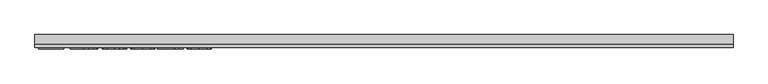
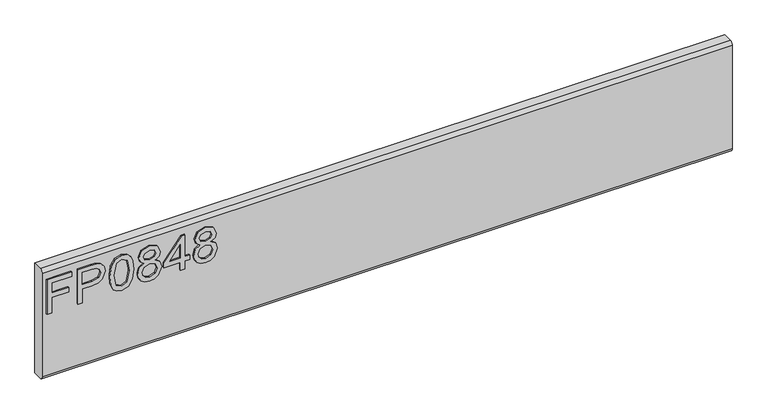
"""IFC4 building model written with IfcOpenShell, lengths in millimetres: furniture geometry."""

from ifc_helpers import new_model, si_unit, frame, origin, place, context, project, spatial, polyline, circle_curve, outline, extrude, source, transform, mapped, element, save
from ifc_brep_helpers import plane_surface, cylinder_surface, advanced_brep


def furniture_17389d6e(model_context):
    return source(origin(), model_context, "Body", "SolidModel", [
        extrude(outline(polyline([(273.05, -596.2729953), (273.05, -588.2992757), (301.9547336, -588.2992757), (301.9547336, -558.3978271), (309.9284532, -558.3978271), (309.9284532, -588.2992757), (328.8660373, -588.2992757), (328.8660373, -553.4142524), (336.8397569, -553.4142524), (336.8397569, -596.2729953), (273.05, -596.2729953)])), frame((0.0, -15.0812439, 0.0), z_axis=(0.0, 1.0, 0.0), x_axis=(0.0, 0.0, 1.0)), (0.0, 0.0, 1.0), 2.38125),
        extrude(outline(polyline([(273.05, -542.4503879), (273.05, -534.4766683), (298.9645888, -534.4766683), (298.9645888, -518.2644766), (300.374006, -506.9365776), (304.6022577, -499.7395948), (318.3849567, -494.6080702), (327.082852, -496.5080581), (333.2500257, -501.530567), (336.2323838, -509.2784684), (336.8397569, -518.8095551), (336.8397569, -542.4503879), (273.05, -542.4503879)]), holes=[polyline([(306.9383084, -534.4766683), (328.8660373, -534.4766683), (328.8660373, -517.9841506), (328.3209588, -510.0104309), (324.7078671, -504.6297276), (318.1046306, -502.5817898), (309.8661585, -506.0547185), (306.9383084, -517.7972665), (306.9383084, -534.4766683)])]), frame((0.0, -15.0812439, 0.0), z_axis=(0.0, 1.0, 0.0), x_axis=(0.0, 0.0, 1.0)), (0.0, 0.0, 1.0), 2.38125),
        extrude(outline(polyline([(304.4309473, -486.6343506), (288.9156775, -485.0458361), (278.1270168, -480.2802928), (273.571718, -473.9885296), (272.053285, -465.7033366), (275.5495742, -454.0308701), (286.1552443, -447.0927996), (304.4309473, -444.7723226), (319.4206058, -446.220674), (328.8582505, -449.9583551), (334.7840324, -456.3902813), (336.8397569, -465.7033366), (333.3668283, -477.3290821), (322.7845188, -484.2905131), (304.4309473, -486.6343506)]), holes=[polyline([(304.446521, -478.660631), (324.5988514, -474.7983605), (328.8660373, -465.7967786), (324.0226256, -456.3591339), (304.446521, -452.7460422), (284.6601718, -456.4837233), (280.0270047, -465.7033366), (284.6445982, -474.9229499), (304.446521, -478.660631)])]), frame((0.0, -15.0812439, 0.0), z_axis=(0.0, 1.0, 0.0), x_axis=(0.0, 0.0, 1.0)), (0.0, 0.0, 1.0), 2.38125),
        extrude(outline(polyline([(308.1842021, -426.1773593), (302.3907964, -434.7740257), (291.8318474, -437.7953179), (284.0742125, -436.3547533), (277.7143145, -432.0330596), (273.4685424, -425.3597415), (272.053285, -416.8643039), (273.4627023, -408.3688663), (277.690954, -401.6955482), (291.613816, -395.9332899), (301.9313731, -398.8377796), (308.1842021, -407.3176435), (313.113269, -400.2549837), (320.6275653, -397.9267198), (332.1209346, -403.1594733), (336.8397569, -416.9733196), (332.2299503, -430.6625765), (320.8455967, -435.801888), (313.1366295, -433.4424768), (308.1842021, -426.1773593)]), holes=[polyline([(320.6119916, -427.8281684), (326.4365446, -424.9548261), (328.8660373, -416.8643039), (326.3820368, -408.7971423), (320.2537972, -405.9004395), (314.3358022, -408.7037003), (311.9218831, -416.7708619), (314.3513758, -425.0015471), (320.6119916, -427.8281684)]), polyline([(292.1121735, -429.8215983), (300.5686769, -426.4498985), (303.9481635, -417.0667617), (300.5219559, -407.4110856), (291.8629947, -403.9070095), (283.3675571, -407.3020699), (280.0270047, -416.8020092), (281.6155191, -423.7790139), (286.1085232, -428.4900494), (292.1121735, -429.8215983)])]), frame((0.0, -15.0812439, 0.0), z_axis=(0.0, 1.0, 0.0), x_axis=(0.0, 0.0, 1.0)), (0.0, 0.0, 1.0), 2.38125),
        extrude(outline(polyline([(273.05, -363.0416965), (273.05, -355.0679769), (288.0007243, -355.0679769), (288.0007243, -347.0942573), (295.9744439, -347.0942573), (295.9744439, -355.0679769), (335.843042, -355.0679769), (335.843042, -361.0482666), (295.9744439, -391.9464301), (288.0007243, -391.9464301), (288.0007243, -363.0416965), (273.05, -363.0416965)]), holes=[polyline([(295.9744439, -363.0416965), (295.9744439, -382.1350173), (320.6119916, -363.0416965), (295.9744439, -363.0416965)])]), frame((0.0, -15.0812439, 0.0), z_axis=(0.0, 1.0, 0.0), x_axis=(0.0, 0.0, 1.0)), (0.0, 0.0, 1.0), 2.38125),
        extrude(outline(polyline([(308.1842021, -328.4992939), (302.3907964, -337.0959604), (291.8318474, -340.1172526), (284.0742125, -338.676688), (277.7143145, -334.3549943), (273.4685424, -327.6816762), (272.053285, -319.1862386), (273.4627023, -310.690801), (277.690954, -304.0174829), (291.613816, -298.2552246), (301.9313731, -301.1597143), (308.1842021, -309.6395782), (313.113269, -302.5769183), (320.6275653, -300.2486545), (332.1209346, -305.481408), (336.8397569, -319.2952543), (332.2299503, -332.9845112), (320.8455967, -338.1238227), (313.1366295, -335.7644115), (308.1842021, -328.4992939)]), holes=[polyline([(320.6119916, -330.1501031), (326.4365446, -327.2767608), (328.8660373, -319.1862386), (326.3820368, -311.119077), (320.2537972, -308.2223741), (314.3358022, -311.0256349), (311.9218831, -319.0927966), (314.3513758, -327.3234818), (320.6119916, -330.1501031)]), polyline([(292.1121735, -332.143533), (300.5686769, -328.7718332), (303.9481635, -319.3886963), (300.5219559, -309.7330202), (291.8629947, -306.2289442), (283.3675571, -309.6240045), (280.0270047, -319.1239439), (281.6155191, -326.1009486), (286.1085232, -330.8119841), (292.1121735, -332.143533)])]), frame((0.0, -15.0812439, 0.0), z_axis=(0.0, 1.0, 0.0), x_axis=(0.0, 0.0, 1.0)), (0.0, 0.0, 1.0), 2.38125),
        advanced_brep(
        [(603.25, 9.5250061, 355.6), (603.25, -6.7309939, 355.6), (603.25, -12.6999939, 349.631), (603.25, -12.6999939, 158.369), (603.25, -6.7309939, 152.4), (603.25, 9.5250061, 152.4), (-603.25, 9.5250061, 355.6), (-603.25, 9.5250061, 152.4), (-603.25, -6.7309939, 152.4), (-603.25, -12.6999939, 158.369), (-603.25, -12.6999939, 349.6310121), (-603.25, -6.7309939, 355.6)],
        [
            (0, 1),
            (1, 2, circle_curve(frame((603.25, -6.7309939, 349.631), z_axis=(1.0, 0.0, 0.0), x_axis=(0.0, 1.0, 0.0)), 5.969)),
            (2, 3),
            (3, 4, circle_curve(frame((603.25, -6.7309939, 158.369), z_axis=(1.0, 0.0, 0.0), x_axis=(0.0, 1.0, 0.0)), 5.969)),
            (4, 5),
            (5, 0),
            (6, 7),
            (7, 8),
            (8, 9, circle_curve(frame((-603.25, -6.7309939, 158.369), z_axis=(-1.0, 0.0, 0.0), x_axis=(0.0, 1.0, 0.0)), 5.969)),
            (9, 10),
            (10, 11, circle_curve(frame((-603.25, -6.7309939, 349.631), z_axis=(-1.0, 0.0, 0.0), x_axis=(0.0, 1.0, 0.0)), 5.969)),
            (11, 6),
            (0, 6),
            (11, 1),
            (10, 2),
            (9, 3),
            (8, 4),
            (7, 5),
        ],
        [
            plane_surface(frame((603.25, -6.7309939, 355.6), z_axis=(1.0, 0.0, 0.0), x_axis=(0.0, -1.0, 0.0))),
            plane_surface(frame((-603.25, -6.7309939, 355.6), z_axis=(-1.0, 0.0, 0.0), x_axis=(0.0, 1.0, 0.0))),
            plane_surface(frame((603.25, 9.5250061, 355.6), z_axis=(0.0, 0.0, 1.0), x_axis=(-1.0, 0.0, 0.0))),
            cylinder_surface(frame((-603.25, -6.7309939, 349.631), z_axis=(1.0, 0.0, 0.0), x_axis=(0.0, 1.0, 0.0)), 5.969),
            plane_surface(frame((603.25, -12.6999939, 349.6310121), z_axis=(0.0, -1.0, 0.0), x_axis=(-1.0, 0.0, 0.0))),
            cylinder_surface(frame((-603.25, -6.7309939, 158.369), z_axis=(1.0, 0.0, 0.0), x_axis=(0.0, 1.0, 0.0)), 5.969),
            plane_surface(frame((603.25, -6.7309939, 152.4), z_axis=(0.0, 0.0, -1.0), x_axis=(-1.0, 0.0, 0.0))),
            plane_surface(frame((603.25, 9.5250061, 152.4), z_axis=(0.0, 1.0, 0.0), x_axis=(-1.0, 0.0, 0.0))),
        ],
        [
            (0, [[1, 2, 3, 4, 5, 6]]),
            (1, [[7, 8, 9, 10, 11, 12]]),
            (2, [[-1, 13, -12, 14]]),
            (3, [[-2, -14, -11, 15]]),
            (4, [[-3, -15, -10, 16]]),
            (5, [[-4, -16, -9, 17]]),
            (6, [[-5, -17, -8, 18]]),
            (7, [[-6, -18, -7, -13]]),
        ],
    ),
    ])


if __name__ == "__main__":
    model = new_model("IFC4")
    model_context = context("Model", 3, world=origin())
    ifc_project = project(units=[si_unit("LENGTHUNIT", "METRE", prefix="MILLI")], contexts=[model_context])
    site = spatial("IfcSite", under=ifc_project)
    building = spatial("IfcBuilding", under=site)
    placement = place(None, origin())
    furniture_shape = furniture_17389d6e(model_context)
    element("IfcFurniture", 1, at=placement, inside=building, context=model_context, shape_type="MappedRepresentation", body=[
        mapped(furniture_shape, transform((0.0, 0.0, 0.0), x_axis=(1.0, 0.0, 0.0), y_axis=(0.0, 1.0, 0.0), z_axis=(0.0, 0.0, 1.0))),
    ])
    save(model, "model.ifc")
